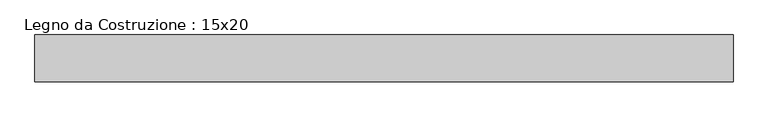
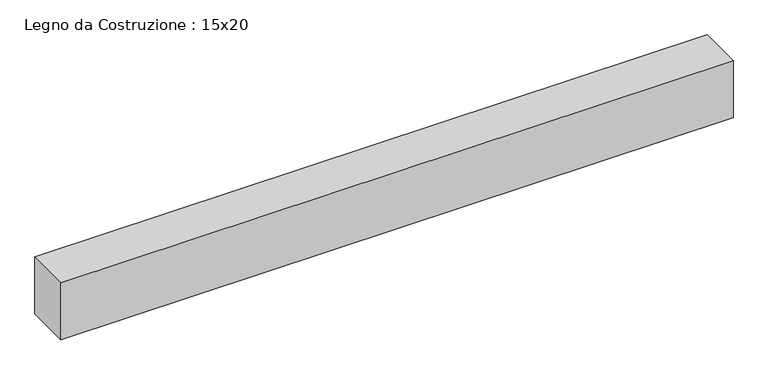
"""IFC4 building model written with IfcOpenShell, lengths in millimetres: beam geometry, Legno da Costruzione : 15x20."""

from ifc_helpers import new_model, si_unit, frame, origin, place, context, project, spatial, polyline, outline, extrude, source, transform, mapped, element, save


def legno_da_costruzione_15x20_826c8a3e(model_context):
    return source(origin(), model_context, "Body", "SweptSolid", [
        extrude(outline(polyline([(1213.0, 75.0), (1213.0, -75.0), (-1024.0, -75.0), (-1024.0, 75.0), (1213.0, 75.0)])), frame((0.0, 0.0, -100.0), z_axis=(0.0, 0.0, 1.0), x_axis=(1.0, 0.0, 0.0)), (0.0, 0.0, 1.0), 200.0),
    ])


if __name__ == "__main__":
    model = new_model("IFC4")
    model_context = context("Model", 3, world=origin())
    ifc_project = project(units=[si_unit("LENGTHUNIT", "METRE", prefix="MILLI")], contexts=[model_context])
    site = spatial("IfcSite", under=ifc_project)
    building = spatial("IfcBuilding", under=site)
    placement = place(None, origin())
    legno_da_costruzione_15x20_shape = legno_da_costruzione_15x20_826c8a3e(model_context)
    element("IfcBeam", 1, ObjectType="Legno da Costruzione : 15x20", at=placement, inside=building, context=model_context, shape_type="MappedRepresentation", body=[
        mapped(legno_da_costruzione_15x20_shape, transform((0.0, 0.0, 0.0), x_axis=(1.0, 0.0, 0.0), y_axis=(0.0, 1.0, 0.0), z_axis=(0.0, 0.0, 1.0))),
    ])
    save(model, "model.ifc")
